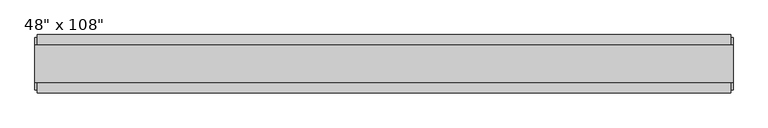
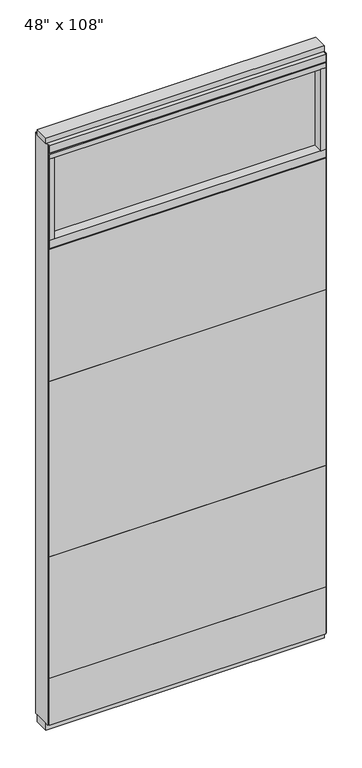
"""IFC4 building model written with IfcOpenShell, lengths in millimetres: furniture geometry."""

from ifc_helpers import new_model, si_unit, frame, origin, origin_with_axes, place, context, project, spatial, polyline, outline, extrude, source, transform, mapped, element, save


def furniture_d6776993(model_context):
    return source(origin(), model_context, "Body", "SweptSolid", [
        extrude(outline(polyline([(545.6264771, 46.2822784), (545.6264771, 33.5822784), (-665.6995229, 33.5822784), (-665.6995229, 46.2822784), (545.6264771, 46.2822784)])), frame((0.0, 0.0, 1625.6), z_axis=(0.0, 0.0, 1.0), x_axis=(1.0, 0.0, 0.0)), (0.0, 0.0, 1.0), 609.6),
        extrude(outline(polyline([(545.6264771, 46.2822784), (545.6264771, 33.5822784), (-665.6995229, 33.5822784), (-665.6995229, 46.2822784), (545.6264771, 46.2822784)])), frame((0.0, 0.0, 812.8), z_axis=(0.0, 0.0, 1.0), x_axis=(1.0, 0.0, 0.0)), (0.0, 0.0, 1.0), 812.8),
        extrude(outline(polyline([(545.6264771, 46.2822784), (545.6264771, 33.5822784), (-665.6995229, 33.5822784), (-665.6995229, 46.2822784), (545.6264771, 46.2822784)])), frame((0.0, 0.0, 249.936), z_axis=(0.0, 0.0, 1.0), x_axis=(1.0, 0.0, 0.0)), (0.0, 0.0, 1.0), 562.864),
        extrude(outline(polyline([(545.6264771, -55.3177216), (-665.6995229, -55.3177216), (-665.6995229, -42.6177216), (545.6264771, -42.6177216), (545.6264771, -55.3177216)])), frame((0.0, 0.0, 1625.6), z_axis=(0.0, 0.0, 1.0), x_axis=(1.0, 0.0, 0.0)), (0.0, 0.0, 1.0), 609.6),
        extrude(outline(polyline([(545.6264771, -55.3177216), (-665.6995229, -55.3177216), (-665.6995229, -42.6177216), (545.6264771, -42.6177216), (545.6264771, -55.3177216)])), frame((0.0, 0.0, 812.8), z_axis=(0.0, 0.0, 1.0), x_axis=(1.0, 0.0, 0.0)), (0.0, 0.0, 1.0), 812.8),
        extrude(outline(polyline([(545.6264771, -55.3177216), (-665.6995229, -55.3177216), (-665.6995229, -42.6177216), (545.6264771, -42.6177216), (545.6264771, -55.3177216)])), frame((0.0, 0.0, 249.936), z_axis=(0.0, 0.0, 1.0), x_axis=(1.0, 0.0, 0.0)), (0.0, 0.0, 1.0), 562.864),
        extrude(outline(polyline([(545.6264771, 46.2822784), (545.6264771, 33.5822784), (-665.6995229, 33.5822784), (-665.6995229, 46.2822784), (545.6264771, 46.2822784)])), frame((0.0, 0.0, 31.75), z_axis=(0.0, 0.0, 1.0), x_axis=(1.0, 0.0, 0.0)), (0.0, 0.0, 1.0), 218.186),
        extrude(outline(polyline([(545.6264771, -55.3177216), (-665.6995229, -55.3177216), (-665.6995229, -42.6177216), (545.6264771, -42.6177216), (545.6264771, -55.3177216)])), frame((0.0, 0.0, 31.75), z_axis=(0.0, 0.0, 1.0), x_axis=(1.0, 0.0, 0.0)), (0.0, 0.0, 1.0), 218.186),
        extrude(outline(polyline([(523.4014771, -9.5977216), (-643.4745229, -9.5977216), (-643.4745229, 0.5622784), (523.4014771, 0.5622784), (523.4014771, -9.5977216)])), frame((0.0, 0.0, 2276.475), z_axis=(0.0, 0.0, 1.0), x_axis=(1.0, 0.0, 0.0)), (0.0, 0.0, 1.0), 377.825),
        extrude(outline(polyline([(523.4014771, -55.3177216), (523.4014771, 46.2822784), (545.6264771, 46.2822784), (545.6264771, -55.3177216), (523.4014771, -55.3177216)])), frame((0.0, 0.0, 2276.475), z_axis=(0.0, 0.0, 1.0), x_axis=(1.0, 0.0, 0.0)), (0.0, 0.0, 1.0), 377.825),
        extrude(outline(polyline([(-55.3177216, 2240.153), (-55.3177216, 2276.475), (46.2822784, 2276.475), (46.2822784, 2240.153), (41.3292784, 2240.153), (41.3292784, 2235.2), (-50.3647216, 2235.2), (-50.3647216, 2240.153), (-55.3177216, 2240.153)])), frame((-665.6995229, 0.0, 0.0), z_axis=(1.0, 0.0, 0.0), x_axis=(0.0, 1.0, 0.0)), (0.0, 0.0, 1.0), 1211.326),
        extrude(outline(polyline([(-643.4745229, -55.3177216), (-665.6995229, -55.3177216), (-665.6995229, 46.2822784), (-643.4745229, 46.2822784), (-643.4745229, -55.3177216)])), frame((0.0, 0.0, 2276.475), z_axis=(0.0, 0.0, 1.0), x_axis=(1.0, 0.0, 0.0)), (0.0, 0.0, 1.0), 377.825),
        extrude(outline(polyline([(549.5634771, 27.9942784), (549.5634771, -37.0297216), (-669.6365229, -37.0297216), (-669.6365229, 27.9942784), (549.5634771, 27.9942784)])), origin_with_axes(), (0.0, 0.0, 1.0), 31.75),
        extrude(outline(polyline([(-669.6365229, -37.0297216), (-669.6365229, 27.9942784), (549.5634771, 27.9942784), (549.5634771, -37.0297216), (-669.6365229, -37.0297216)])), frame((0.0, 0.0, 2717.8), z_axis=(0.0, 0.0, 1.0), x_axis=(1.0, 0.0, 0.0)), (0.0, 0.0, 1.0), 25.4),
        extrude(outline(polyline([(-55.3177216, 2681.478), (-55.3177216, 2717.8), (46.2822784, 2717.8), (46.2822784, 2681.478), (41.3292784, 2681.478), (41.3292784, 2676.525), (-50.3647216, 2676.525), (-50.3647216, 2681.478), (-55.3177216, 2681.478)])), frame((-665.6995229, 0.0, 0.0), z_axis=(1.0, 0.0, 0.0), x_axis=(0.0, 1.0, 0.0)), (0.0, 0.0, 1.0), 1211.326),
        extrude(outline(polyline([(545.6264771, 46.2822784), (545.6264771, -55.3177216), (-665.6995229, -55.3177216), (-665.6995229, 46.2822784), (545.6264771, 46.2822784)])), frame((0.0, 0.0, 2654.3), z_axis=(0.0, 0.0, 1.0), x_axis=(1.0, 0.0, 0.0)), (0.0, 0.0, 1.0), 22.225),
        extrude(outline(polyline([(549.5634771, -50.3647216), (545.6264771, -50.3647216), (545.6264771, 41.3292784), (549.5634771, 41.3292784), (549.5634771, -50.3647216)])), frame((0.0, 0.0, 31.75), z_axis=(0.0, 0.0, 1.0), x_axis=(1.0, 0.0, 0.0)), (0.0, 0.0, 1.0), 2686.05),
        extrude(outline(polyline([(-669.6365229, -50.3647216), (-669.6365229, 41.3292784), (-665.6995229, 41.3292784), (-665.6995229, -50.3647216), (-669.6365229, -50.3647216)])), frame((0.0, 0.0, 31.75), z_axis=(0.0, 0.0, 1.0), x_axis=(1.0, 0.0, 0.0)), (0.0, 0.0, 1.0), 2686.05),
    ])


if __name__ == "__main__":
    model = new_model("IFC4")
    model_context = context("Model", 3, world=origin())
    ifc_project = project(units=[si_unit("LENGTHUNIT", "METRE", prefix="MILLI")], contexts=[model_context])
    site = spatial("IfcSite", under=ifc_project)
    building = spatial("IfcBuilding", under=site)
    placement = place(None, origin())
    furniture_shape = furniture_d6776993(model_context)
    element("IfcFurniture", 1, ObjectType="48\" x 108\"", at=placement, inside=building, context=model_context, shape_type="MappedRepresentation", body=[
        mapped(furniture_shape, transform((0.0, 0.0, 0.0), x_axis=(1.0, 0.0, 0.0), y_axis=(0.0, 1.0, 0.0), z_axis=(0.0, 0.0, 1.0))),
    ])
    save(model, "model.ifc")
